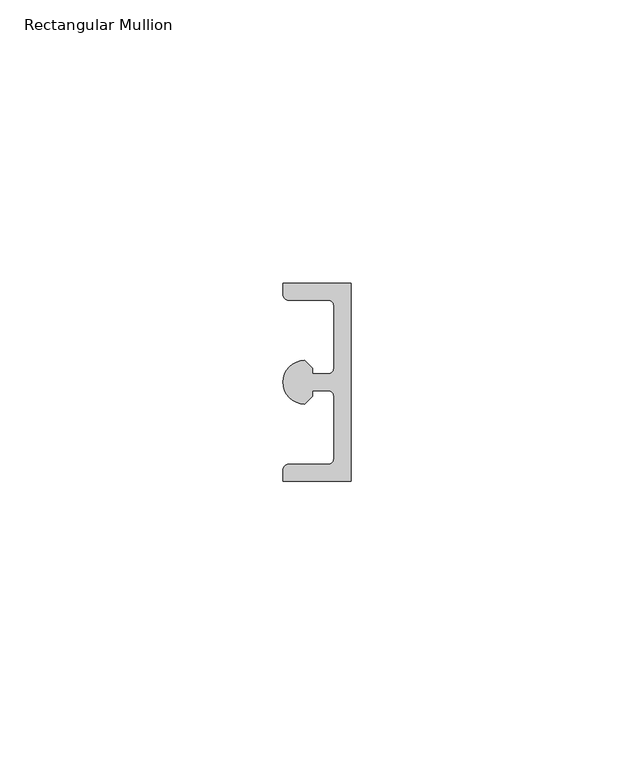
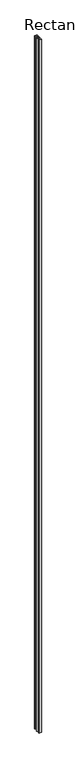
"""IFC4 building model written with IfcOpenShell, lengths in millimetres: member geometry, Rectangular Mullion."""

from ifc_helpers import new_model, si_unit, point, frame, frame_2d, origin, place, context, project, spatial, polyline, circle_curve, trimmed, segment, composite_curve, outline, extrude, source, transform, mapped, element, save


def rectangular_mullion_1d4a2e4c(model_context):
    return source(origin(), model_context, "Body", "SweptSolid", [
        extrude(outline(composite_curve([segment(polyline([(-3.4e-06, -17.5000012), (-12.0000034, -17.5), (-12.0000032, -15.5)]), True, "CONTINUOUS"), segment(trimmed(circle_curve(frame_2d((-11.0000032, -15.5000001)), 1.0), [point((-12.0000032, -15.5))], [point((-11.0000031, -14.5000001))], False, "CARTESIAN"), True, "CONTINUOUS"), segment(polyline([(-11.0000031, -14.5000001), (-4.0000031, -14.5000008)]), True, "CONTINUOUS"), segment(trimmed(circle_curve(frame_2d((-4.000003, -13.5000008)), 1.0), [point((-4.0000031, -14.5000008))], [point((-3.000003, -13.5000009))], True, "CARTESIAN"), True, "CONTINUOUS"), segment(polyline([(-3.000003, -13.5000009), (-3.000002, -2.5000009)]), True, "CONTINUOUS"), segment(trimmed(circle_curve(frame_2d((-4.000002, -2.5000008)), 1.0), [point((-3.000002, -2.5000009))], [point((-4.0000019, -1.5000008))], True, "CARTESIAN"), True, "CONTINUOUS"), segment(polyline([(-4.0000019, -1.5000008), (-6.8000019, -1.5000005), (-6.800002, -2.5000005), (-8.1500021, -3.8500004)]), True, "CONTINUOUS"), segment(trimmed(circle_curve(frame_2d((-8.1500017, -4e-07)), 3.85), [point((-8.1500021, -3.8500004))], [point((-8.1500013, 3.8499996))], False, "CARTESIAN"), True, "CONTINUOUS"), segment(polyline([(-8.1500013, 3.8499996), (-6.8000015, 2.4999995), (-6.8000016, 1.4999995), (-4.0000016, 1.4999992)]), True, "CONTINUOUS"), segment(trimmed(circle_curve(frame_2d((-4.0000015, 2.4999992)), 1.0), [point((-4.0000016, 1.4999992))], [point((-3.0000015, 2.4999991))], True, "CARTESIAN"), True, "CONTINUOUS"), segment(polyline([(-3.0000015, 2.4999991), (-3.0000004, 13.4999991)]), True, "CONTINUOUS"), segment(trimmed(circle_curve(frame_2d((-4.0000004, 13.4999992)), 1.0), [point((-3.0000004, 13.4999991))], [point((-4.0000003, 14.4999992))], True, "CARTESIAN"), True, "CONTINUOUS"), segment(polyline([(-4.0000003, 14.4999992), (-11.0000003, 14.4999999)]), True, "CONTINUOUS"), segment(trimmed(circle_curve(frame_2d((-11.0000002, 15.4999999)), 1.0), [point((-11.0000003, 14.4999999))], [point((-12.0000002, 15.5))], False, "CARTESIAN"), True, "CONTINUOUS"), segment(polyline([(-12.0000002, 15.5), (-12.0, 17.5), (0.0, 17.4999988), (-3.4e-06, -17.5000012)]), True, "CONTINUOUS")], self_intersect=False)), frame((0.0, 0.0, -3560.0), z_axis=(0.0, 0.0, 1.0), x_axis=(1.0, 0.0, 0.0)), (0.0, 0.0, 1.0), 3560.0),
    ])


if __name__ == "__main__":
    model = new_model("IFC4")
    model_context = context("Model", 3, world=origin())
    ifc_project = project(units=[si_unit("LENGTHUNIT", "METRE", prefix="MILLI")], contexts=[model_context])
    site = spatial("IfcSite", under=ifc_project)
    building = spatial("IfcBuilding", under=site)
    placement = place(None, origin())
    rectangular_mullion_shape = rectangular_mullion_1d4a2e4c(model_context)
    element("IfcMember", 1, ObjectType="Rectangular Mullion", at=placement, inside=building, context=model_context, shape_type="MappedRepresentation", body=[
        mapped(rectangular_mullion_shape, transform((0.0, 0.0, 0.0), x_axis=(1.0, 0.0, 0.0), y_axis=(0.0, 1.0, 0.0), z_axis=(0.0, 0.0, 1.0))),
    ])
    save(model, "model.ifc")
